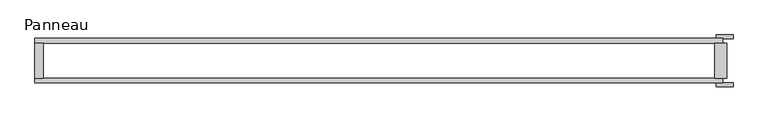
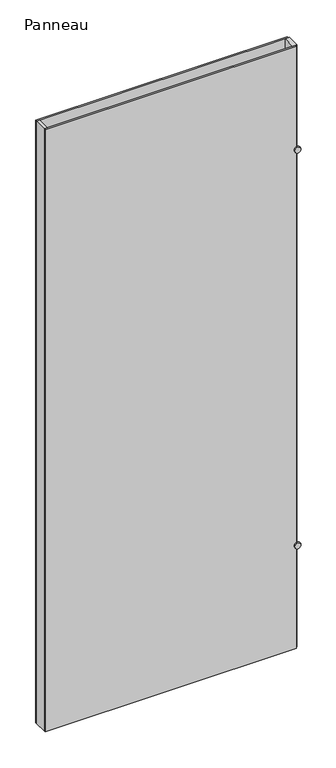
"""IFC4 building model written with IfcOpenShell, lengths in millimetres: plate geometry, Panneau."""

from ifc_helpers import new_model, si_unit, point, frame, frame_2d, origin, origin_with_axes, place, context, project, spatial, polyline, circle_curve, trimmed, segment, composite_curve, outline, extrude, source, transform, mapped, element, save


def panneau_2a0626ff(model_context):
    return source(origin(), model_context, "Body", "SweptSolid", [
        extrude(outline(composite_curve([segment(trimmed(circle_curve(frame_2d((500.0, 576.2142857)), 14.0), [point((500.0, 562.2142857))], [point((500.0, 590.2142857))], False, "CARTESIAN"), True, "CONTINUOUS"), segment(trimmed(circle_curve(frame_2d((500.0, 576.2142857)), 14.0), [point((500.0, 590.2142857))], [point((500.0, 562.2142857))], False, "CARTESIAN"), True, "CONTINUOUS")], self_intersect=False)), frame((0.0, 37.2, 0.0), z_axis=(0.0, 1.0, 0.0), x_axis=(0.0, 0.0, 1.0)), (0.0, 0.0, 1.0), 6.0),
        extrude(outline(composite_curve([segment(trimmed(circle_curve(frame_2d((2415.0, 576.2142857)), 14.0), [point((2415.0, 562.2142857))], [point((2415.0, 590.2142857))], False, "CARTESIAN"), True, "CONTINUOUS"), segment(trimmed(circle_curve(frame_2d((2415.0, 576.2142857)), 14.0), [point((2415.0, 590.2142857))], [point((2415.0, 562.2142857))], False, "CARTESIAN"), True, "CONTINUOUS")], self_intersect=False)), frame((0.0, 37.2, 0.0), z_axis=(0.0, 1.0, 0.0), x_axis=(0.0, 0.0, 1.0)), (0.0, 0.0, 1.0), 6.0),
        extrude(outline(composite_curve([segment(trimmed(circle_curve(frame_2d((2415.0, 576.2142857)), 14.0), [point((2415.0, 562.2142857))], [point((2415.0, 590.2142857))], False, "CARTESIAN"), True, "CONTINUOUS"), segment(trimmed(circle_curve(frame_2d((2415.0, 576.2142857)), 14.0), [point((2415.0, 590.2142857))], [point((2415.0, 562.2142857))], False, "CARTESIAN"), True, "CONTINUOUS")], self_intersect=False)), frame((0.0, -43.2, 0.0), z_axis=(0.0, 1.0, 0.0), x_axis=(0.0, 0.0, 1.0)), (0.0, 0.0, 1.0), 6.0),
        extrude(outline(composite_curve([segment(trimmed(circle_curve(frame_2d((500.0, 576.2142857)), 14.0), [point((500.0, 562.2142857))], [point((500.0, 590.2142857))], False, "CARTESIAN"), True, "CONTINUOUS"), segment(trimmed(circle_curve(frame_2d((500.0, 576.2142857)), 14.0), [point((500.0, 590.2142857))], [point((500.0, 562.2142857))], False, "CARTESIAN"), True, "CONTINUOUS")], self_intersect=False)), frame((0.0, -43.2, 0.0), z_axis=(0.0, 1.0, 0.0), x_axis=(0.0, 0.0, 1.0)), (0.0, 0.0, 1.0), 6.0),
        extrude(outline(polyline([(-565.2142857, 29.2), (-565.2142857, -29.2), (-579.2142857, -29.2), (-579.2142857, 29.2), (-565.2142857, 29.2)])), origin_with_axes(), (0.0, 0.0, 1.0), 2915.0),
        extrude(outline(polyline([(579.2142857, 29.2), (579.2142857, -29.2), (559.2142857, -29.2), (559.2142857, 29.2), (579.2142857, 29.2)])), origin_with_axes(), (0.0, 0.0, 1.0), 2915.0),
        extrude(outline(polyline([(573.2142857, 29.2), (-579.2142857, 29.2), (-579.2142857, 37.2), (573.2142857, 37.2), (573.2142857, 29.2)])), origin_with_axes(), (0.0, 0.0, 1.0), 2915.0),
        extrude(outline(polyline([(-579.2142857, -37.2), (-579.2142857, -29.2), (573.2142857, -29.2), (573.2142857, -37.2), (-579.2142857, -37.2)])), origin_with_axes(), (0.0, 0.0, 1.0), 2915.0),
    ])


if __name__ == "__main__":
    model = new_model("IFC4")
    model_context = context("Model", 3, world=origin())
    ifc_project = project(units=[si_unit("LENGTHUNIT", "METRE", prefix="MILLI")], contexts=[model_context])
    site = spatial("IfcSite", under=ifc_project)
    building = spatial("IfcBuilding", under=site)
    placement = place(None, origin())
    panneau_shape = panneau_2a0626ff(model_context)
    element("IfcPlate", 1, ObjectType="Panneau", at=placement, inside=building, context=model_context, shape_type="MappedRepresentation", body=[
        mapped(panneau_shape, transform((0.0, 0.0, 0.0), x_axis=(1.0, 0.0, 0.0), y_axis=(0.0, 1.0, 0.0), z_axis=(0.0, 0.0, 1.0))),
    ])
    save(model, "model.ifc")
